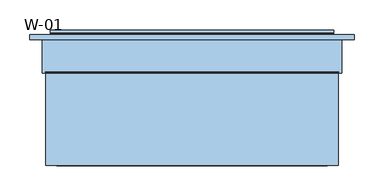
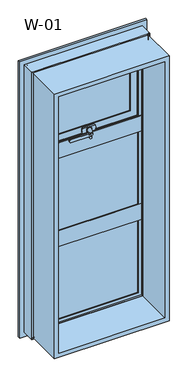
"""IFC4 building model written with IfcOpenShell, lengths in millimetres: window geometry, W-01."""

from ifc_helpers import new_model, si_unit, point, frame, frame_2d, origin, place, context, project, spatial, polyline, circle_curve, ellipse_curve, trimmed, segment, composite_curve, outline, extrude, source, transform, mapped, element, save
from ifc_brep_helpers import plane_surface, cylinder_surface, revolved_surface, spline_surface, advanced_brep


def w_01_ff5dd686(model_context):
    return source(origin(), model_context, "Body", "SolidModel", [
        extrude(outline(polyline([(192.4, 81.9927198), (-192.4, 81.9927198), (-192.4, 107.9927198), (192.4, 107.9927198), (192.4, 81.9927198)])), frame((0.0, 0.0, 1350.9333333), z_axis=(0.0, 0.0, 1.0), x_axis=(1.0, 0.0, 0.0)), (0.0, 0.0, 1.0), 291.4666667),
        extrude(outline(polyline([(223.0, 74.4), (-223.0, 74.4), (-223.0, 100.4), (223.0, 100.4), (223.0, 74.4)])), frame((0.0, 0.0, 923.6666667), z_axis=(0.0, 0.0, 1.0), x_axis=(1.0, 0.0, 0.0)), (0.0, 0.0, 1.0), 352.6666667),
        extrude(outline(polyline([(1693.8, 243.8), (1693.8, -243.8), (506.2, -243.8), (506.2, 243.8), (1693.8, 243.8)]), holes=[polyline([(524.7, 225.3), (524.7, -225.3), (1675.3, -225.3), (1675.3, 225.3), (524.7, 225.3)])]), frame((0.0, -100.0, 0.0), z_axis=(0.0, 1.0, 0.0), x_axis=(0.0, 0.0, 1.0)), (0.0, 0.0, 1.0), 165.9999813),
        extrude(outline(polyline([(223.0, 74.4), (-223.0, 74.4), (-223.0, 100.4), (223.0, 100.4), (223.0, 74.4)])), frame((0.0, 0.0, 527.0), z_axis=(0.0, 0.0, 1.0), x_axis=(1.0, 0.0, 0.0)), (0.0, 0.0, 1.0), 352.6666667),
        extrude(outline(composite_curve([segment(polyline([(1325.0333333, -8.432005), (1325.0333333, -5.567995)]), True, "CONTINUOUS"), segment(trimmed(circle_curve(frame_2d((1328.0333333, -5.567995)), 3.0), [point((1325.0333333, -5.567995))], [point((1327.8763255, -2.5721064))], False, "CARTESIAN"), True, "CONTINUOUS"), segment(polyline([(1327.8763255, -2.5721064), (1348.3333333, -1.5), (1348.3333333, -12.5), (1327.8763255, -11.4278936)]), True, "CONTINUOUS"), segment(trimmed(circle_curve(frame_2d((1328.0333333, -8.432005)), 3.0), [point((1327.8763255, -11.4278936))], [point((1325.0333333, -8.432005))], False, "CARTESIAN"), True, "CONTINUOUS")], self_intersect=False)), frame((0.0, 42.4999039, 0.0), z_axis=(0.0, 1.0, 0.0), x_axis=(0.0, 0.0, 1.0)), (0.0, 0.0, 1.0), 4.9),
        extrude(outline(composite_curve([segment(polyline([(1321.0333333, -3.7223739), (1321.0333333, 1.7223739)]), True, "CONTINUOUS"), segment(trimmed(circle_curve(frame_2d((1324.0333333, 1.7223739)), 3.0), [point((1321.0333333, 1.7223739))], [point((1323.8763255, 4.7182625))], False, "CARTESIAN"), True, "CONTINUOUS"), segment(polyline([(1323.8763255, 4.7182625), (1348.3333333, 6.0), (1348.3333333, -8.0), (1323.8763255, -6.7182625)]), True, "CONTINUOUS"), segment(trimmed(circle_curve(frame_2d((1324.0333333, -3.7223739)), 3.0), [point((1323.8763255, -6.7182625))], [point((1321.0333333, -3.7223739))], False, "CARTESIAN"), True, "CONTINUOUS")], self_intersect=False)), frame((0.0, 59.2999039, 0.0), z_axis=(0.0, 1.0, 0.0), x_axis=(0.0, 0.0, 1.0)), (0.0, 0.0, 1.0), 5.3),
        extrude(outline(composite_curve([segment(trimmed(circle_curve(frame_2d((1353.5333333, -96.7659341)), 2.0), [point((1355.5333333, -96.7659341))], [point((1354.2761147, -98.6228875))], False, "CARTESIAN"), True, "CONTINUOUS"), segment(polyline([(1354.2761147, -98.6228875), (1349.818896, -100.4057749)]), True, "CONTINUOUS"), segment(trimmed(circle_curve(frame_2d((1348.3333333, -96.6918682)), 4.0), [point((1349.818896, -100.4057749))], [point((1346.8477706, -100.4057749))], False, "CARTESIAN"), True, "CONTINUOUS"), segment(polyline([(1346.8477706, -100.4057749), (1342.390552, -98.6228875)]), True, "CONTINUOUS"), segment(trimmed(circle_curve(frame_2d((1343.1333333, -96.7659341)), 2.0), [point((1342.390552, -98.6228875))], [point((1341.1333333, -96.7659341))], False, "CARTESIAN"), True, "CONTINUOUS"), segment(polyline([(1341.1333333, -96.7659341), (1341.1333333, -11.0), (1355.5333333, -11.0), (1355.5333333, -96.7659341)]), True, "CONTINUOUS")], self_intersect=False)), frame((0.0, 34.5999039, 0.0), z_axis=(0.0, 1.0, 0.0), x_axis=(0.0, 0.0, 1.0)), (0.0, 0.0, 1.0), 7.0),
        extrude(outline(composite_curve([segment(trimmed(circle_curve(frame_2d((1348.3333333, 0.0)), 7.0), [point((1348.3333333, 7.0))], [point((1348.3333333, -7.0))], False, "CARTESIAN"), True, "CONTINUOUS"), segment(trimmed(circle_curve(frame_2d((1348.3333333, 0.0)), 7.0), [point((1348.3333333, -7.0))], [point((1348.3333333, 7.0))], False, "CARTESIAN"), True, "CONTINUOUS")], self_intersect=False)), frame((0.0, 64.5999039, 0.0), z_axis=(0.0, 1.0, 0.0), x_axis=(0.0, 0.0, 1.0)), (0.0, 0.0, 1.0), 1.5),
        advanced_brep(
        [(-3.5, 34.5999039, 1348.3333333), (-18.5, 34.5999039, 1348.3333333), (9.0, 64.5999039, 1348.3333333), (-9.0, 64.5999039, 1348.3333333)],
        [
            (0, 1, circle_curve(frame((-11.0, 34.5999039, 1348.3333333), z_axis=(0.0, -1.0, 0.0), x_axis=(-1.0, 0.0, 0.0)), 7.5)),
            (1, 0, circle_curve(frame((-11.0, 34.5999039, 1348.3333333), z_axis=(0.0, -1.0, 0.0), x_axis=(-1.0, 0.0, 0.0)), 7.5)),
            (2, 3, circle_curve(frame((0.0, 64.5999039, 1348.3333333), z_axis=(0.0, 1.0, 0.0), x_axis=(-1.0, 0.0, 0.0)), 9.0)),
            (3, 2, circle_curve(frame((0.0, 64.5999039, 1348.3333333), z_axis=(0.0, 1.0, 0.0), x_axis=(-1.0, 0.0, 0.0)), 9.0)),
            (2, 0),
            (1, 3),
        ],
        [
            plane_surface(frame((-11.0, 34.5999039, 1348.3333333), z_axis=(0.0, -1.0, 0.0), x_axis=(0.0, 0.0, -1.0))),
            plane_surface(frame((0.0, 64.5999039, 1348.3333333), z_axis=(0.0, 1.0, 0.0), x_axis=(0.0, 0.0, -1.0))),
            spline_surface(1, 2, [[(9.0, 64.5999039, 1348.3333333), (9.0, 64.5999039, 1339.3333333), (0.0, 64.5999039, 1339.3333333), (-9.0, 64.5999039, 1339.3333333), (-9.0, 64.5999039, 1348.3333333)], [(-3.5, 34.5999039, 1348.3333333), (-3.5, 34.5999039, 1340.8333333), (-11.0, 34.5999039, 1340.8333333), (-18.5, 34.5999039, 1340.8333333), (-18.5, 34.5999039, 1348.3333333)]], [2, 2], [3, 2, 3], [0.0, 1.0], [0.0, 1.0, 2.0], weights=[[1.0, 0.7071067811865476, 1.0, 0.7071067811865476, 1.0], [1.0, 0.7071067811865476, 1.0, 0.7071067811865476, 1.0]]),
            spline_surface(1, 2, [[(-9.0, 64.5999039, 1348.3333333), (-9.0, 64.5999039, 1357.3333333), (0.0, 64.5999039, 1357.3333333), (9.0, 64.5999039, 1357.3333333), (9.0, 64.5999039, 1348.3333333)], [(-18.5, 34.5999039, 1348.3333333), (-18.5, 34.5999039, 1355.8333333), (-11.0, 34.5999039, 1355.8333333), (-3.5, 34.5999039, 1355.8333333), (-3.5, 34.5999039, 1348.3333333)]], [2, 2], [3, 2, 3], [0.0, 1.0], [0.0, 1.0, 2.0], weights=[[1.0, 0.7071067811865476, 1.0, 0.7071067811865476, 1.0], [1.0, 0.7071067811865476, 1.0, 0.7071067811865476, 1.0]]),
        ],
        [
            (0, [[1, 2]]),
            (1, [[3, 4]]),
            (2, [[5, -2, 6, -3]]),
            (3, [[-6, -1, -5, -4]]),
        ],
    ),
        extrude(outline(composite_curve([segment(trimmed(circle_curve(frame_2d((1348.3333333, 0.0)), 10.6), [point((1348.3333333, 10.6))], [point((1348.3333333, -10.6))], False, "CARTESIAN"), True, "CONTINUOUS"), segment(polyline([(1348.3333333, -10.6), (1337.2833333, -10.6), (1337.2833333, 10.6), (1348.3333333, 10.6)]), True, "CONTINUOUS")], self_intersect=False)), frame((0.0, 66.0999039, 0.0), z_axis=(0.0, 1.0, 0.0), x_axis=(0.0, 0.0, 1.0)), (0.0, 0.0, 1.0), 2.8),
        extrude(outline(composite_curve([segment(polyline([(1337.2833333, -26.0), (1337.2833333, 26.0)]), True, "CONTINUOUS"), segment(trimmed(circle_curve(frame_2d((1348.3333333, 3.2967472)), 25.2495582), [point((1337.2833333, 26.0))], [point((1359.3833333, 26.0))], False, "CARTESIAN"), True, "CONTINUOUS"), segment(polyline([(1359.3833333, 26.0), (1359.3833333, -26.0)]), True, "CONTINUOUS"), segment(trimmed(circle_curve(frame_2d((1348.3333333, -3.2967472)), 25.2495582), [point((1359.3833333, -26.0))], [point((1337.2833333, -26.0))], False, "CARTESIAN"), True, "CONTINUOUS")], self_intersect=False)), frame((0.0, 68.8999039, 0.0), z_axis=(0.0, 1.0, 0.0), x_axis=(0.0, 0.0, 1.0)), (0.0, 0.0, 1.0), 6.7),
        advanced_brep(
        [(235.8588651, 121.9999121, 1685.8588651), (235.8588651, 121.9999121, 1307.4744682), (235.8588651, 126.5999121, 1307.4744682), (235.8588651, 126.5999121, 1685.8588651), (-235.8588651, 126.5999121, 1685.8588651), (-235.8588651, 126.5999121, 1307.4744682), (199.3588651, 126.5999121, 1649.3588651), (-199.3588651, 126.5999121, 1649.3588651), (-199.3588651, 126.5999121, 1343.9744682), (199.3588651, 126.5999121, 1343.9744682), (-235.8588651, 121.9999121, 1307.4744682), (-235.8588651, 121.9999121, 1685.8588651), (-233.7537664, 121.9999121, 1683.7537664), (233.7537664, 121.9999121, 1683.7537664), (233.7537664, 121.9999121, 1309.5795669), (-233.7537664, 121.9999121, 1309.5795669), (236.4637148, 119.9946866, 1686.4637148), (236.4637148, 119.9946866, 1306.8696185), (-236.4637148, 119.9946866, 1306.8696185), (237.2086873, 118.9999537, 1687.2086873), (237.2086873, 118.9999537, 1306.1246461), (-237.2086873, 118.9999537, 1306.1246461), (-237.2086873, 118.9999537, 1687.2086873), (-218.3588678, 118.9999537, 1668.3588678), (218.3588678, 118.9999537, 1668.3588678), (218.3588678, 118.9999537, 1324.9744656), (-218.3588678, 118.9999537, 1324.9744656), (218.3588678, 76.0999005, 1668.3588678), (218.3588678, 76.0999005, 1324.9744656), (-218.3588678, 76.0999005, 1324.9744656), (217.8588679, 75.5999006, 1667.8588679), (217.8588679, 75.5999006, 1325.4744654), (-217.8588679, 75.5999006, 1325.4744654), (218.144223, 74.6078271, 1668.144223), (218.144223, 74.6078271, 1325.1891103), (-218.144223, 74.6078271, 1325.1891103), (215.4347904, 72.6034445, 1665.4347904), (215.4347904, 72.6034445, 1327.8985429), (-215.4347904, 72.6034445, 1327.8985429), (-215.4347904, 72.6034445, 1665.4347904), (-212.0349667, 72.6034445, 1662.0349667), (212.0349667, 72.6034445, 1662.0349667), (212.0349667, 72.6034445, 1331.2983666), (-212.0349667, 72.6034445, 1331.2983666), (208.8054323, 74.6078271, 1658.8054323), (208.8054323, 74.6078271, 1334.527901), (-208.8054323, 74.6078271, 1334.527901), (208.340576, 75.5999039, 1658.340576), (208.340576, 75.5999039, 1334.9927573), (-208.340576, 75.5999039, 1334.9927573), (-208.340576, 75.5999039, 1658.340576), (-179.3588709, 75.5999039, 1629.3588709), (179.3588709, 75.5999039, 1629.3588709), (179.3588709, 75.5999039, 1363.9744624), (-179.3588709, 75.5999039, 1363.9744624), (179.3588709, 80.1999039, 1629.3588709), (179.3588709, 80.1999039, 1363.9744624), (-179.3588709, 80.1999039, 1363.9744624), (-199.3588651, 80.1999039, 1649.3588651), (199.3588651, 80.1999039, 1649.3588651), (199.3588651, 80.1999039, 1343.9744682), (-199.3588651, 80.1999039, 1343.9744682), (-179.3588709, 80.1999039, 1629.3588709), (-236.4637148, 119.9946866, 1686.4637148), (-218.3588678, 76.0999005, 1668.3588678), (-217.8588679, 75.5999006, 1667.8588679), (-218.144223, 74.6078271, 1668.144223), (-208.8054323, 74.6078271, 1658.8054323)],
        [
            (0, 1),
            (1, 2),
            (2, 3),
            (3, 0),
            (4, 3),
            (2, 5),
            (5, 4),
            (6, 7),
            (7, 8),
            (8, 9),
            (9, 6),
            (1, 10),
            (10, 5),
            (0, 11),
            (11, 10),
            (12, 13),
            (13, 14),
            (14, 15),
            (15, 12),
            (16, 17),
            (17, 14, ellipse_curve(frame((237.5848432, 124.3436113, 1305.7484901), z_axis=(-0.7071067811865475, 0.0, -0.7071067811865475), x_axis=(0.7071067811865474, 0.0, -0.7071067811865476)), 6.3513896, 4.4911107)),
            (13, 16, ellipse_curve(frame((237.5848432, 124.3436113, 1687.5848432), z_axis=(-0.7071067811865475, 0.0, 0.7071067811865475), x_axis=(-0.7071067811865474, 0.0, -0.7071067811865476)), 6.3513896, 4.4911107)),
            (17, 18),
            (18, 15, ellipse_curve(frame((-237.5848432, 124.3436113, 1305.7484901), z_axis=(-0.7071067811865475, 0.0, 0.7071067811865475), x_axis=(-0.7071067811865476, 0.0, -0.7071067811865474)), 6.3513896, 4.4911107)),
            (19, 20),
            (20, 17),
            (16, 19),
            (20, 21),
            (21, 18),
            (19, 22),
            (22, 21),
            (23, 24),
            (24, 25),
            (25, 26),
            (26, 23),
            (27, 28),
            (28, 25),
            (24, 27),
            (28, 29),
            (29, 26),
            (30, 31),
            (31, 28, ellipse_curve(frame((217.8588679, 76.0999005, 1325.4744654), z_axis=(0.7071067811865475, 0.0, 0.7071067811865475), x_axis=(-0.7071067811865474, 0.0, 0.7071067811865476)), 0.7071066, 0.4999999)),
            (27, 30, ellipse_curve(frame((217.8588679, 76.0999005, 1667.8588679), z_axis=(0.7071067811865475, 0.0, -0.7071067811865475), x_axis=(0.7071067811865474, 0.0, 0.7071067811865476)), 0.7071066, 0.4999999)),
            (31, 32),
            (32, 29, ellipse_curve(frame((-217.8588679, 76.0999005, 1325.4744654), z_axis=(0.7071067811865475, 0.0, -0.7071067811865475), x_axis=(0.7071067811865476, 0.0, 0.7071067811865474)), 0.7071066, 0.4999999)),
            (33, 34),
            (34, 31),
            (30, 33),
            (34, 35),
            (35, 32),
            (36, 37),
            (37, 34, ellipse_curve(frame((219.2653514, 70.2589024, 1324.0679819), z_axis=(-0.7071067811865475, 0.0, -0.7071067811865475), x_axis=(0.7071067811865474, 0.0, -0.7071067811865476)), 6.3513896, 4.4911107)),
            (33, 36, ellipse_curve(frame((219.2653514, 70.2589024, 1669.2653514), z_axis=(-0.7071067811865475, 0.0, 0.7071067811865475), x_axis=(-0.7071067811865474, 0.0, -0.7071067811865476)), 6.3513896, 4.4911107)),
            (37, 38),
            (38, 35, ellipse_curve(frame((-219.2653514, 70.2589024, 1324.0679819), z_axis=(-0.7071067811865475, 0.0, 0.7071067811865475), x_axis=(-0.7071067811865476, 0.0, -0.7071067811865474)), 6.3513896, 4.4911107)),
            (36, 39),
            (39, 38),
            (40, 41),
            (41, 42),
            (42, 43),
            (43, 40),
            (44, 45),
            (45, 42, ellipse_curve(frame((208.5540914, 70.5988943, 1334.779242), z_axis=(-0.7071067811865475, 0.0, -0.7071067811865475), x_axis=(0.7071067811865474, 0.0, -0.7071067811865476)), 5.6806187, 4.016804)),
            (41, 44, ellipse_curve(frame((208.5540914, 70.5988943, 1658.5540914), z_axis=(-0.7071067811865475, 0.0, 0.7071067811865475), x_axis=(-0.7071067811865474, 0.0, -0.7071067811865476)), 5.6806187, 4.016804)),
            (45, 46),
            (46, 43, ellipse_curve(frame((-208.5540914, 70.5988943, 1334.779242), z_axis=(-0.7071067811865475, 0.0, 0.7071067811865475), x_axis=(-0.7071067811865476, 0.0, -0.7071067811865474)), 5.6806187, 4.016804)),
            (47, 48),
            (48, 45),
            (44, 47),
            (48, 49),
            (49, 46),
            (47, 50),
            (50, 49),
            (51, 52),
            (52, 53),
            (53, 54),
            (54, 51),
            (55, 56),
            (56, 53),
            (52, 55),
            (56, 57),
            (57, 54),
            (58, 59),
            (59, 60),
            (60, 61),
            (61, 58),
            (55, 62),
            (62, 57),
            (9, 60),
            (59, 6),
            (8, 61),
            (11, 4),
            (18, 63),
            (63, 12, ellipse_curve(frame((-237.5848432, 124.3436113, 1687.5848432), z_axis=(0.7071067811865475, 0.0, 0.7071067811865475), x_axis=(-0.7071067811865474, 0.0, 0.7071067811865476)), 6.3513896, 4.4911107)),
            (22, 63),
            (29, 64),
            (64, 23),
            (32, 65),
            (65, 64, ellipse_curve(frame((-217.8588679, 76.0999005, 1667.8588679), z_axis=(-0.7071067811865475, 0.0, -0.7071067811865475), x_axis=(0.7071067811865474, 0.0, -0.7071067811865476)), 0.7071066, 0.4999999)),
            (35, 66),
            (66, 65),
            (39, 66, ellipse_curve(frame((-219.2653514, 70.2589024, 1669.2653514), z_axis=(0.7071067811865475, 0.0, 0.7071067811865475), x_axis=(-0.7071067811865474, 0.0, 0.7071067811865476)), 6.3513896, 4.4911107)),
            (46, 67),
            (67, 40, ellipse_curve(frame((-208.5540914, 70.5988943, 1658.5540914), z_axis=(0.7071067811865475, 0.0, 0.7071067811865475), x_axis=(-0.7071067811865474, 0.0, 0.7071067811865476)), 5.6806187, 4.016804)),
            (50, 67),
            (62, 51),
            (7, 58),
            (63, 16),
            (64, 27),
            (65, 30),
            (66, 33),
            (67, 44),
        ],
        [
            plane_surface(frame((235.8588651, 126.5999121, 1685.8588651), z_axis=(1.0, 0.0, 0.0), x_axis=(0.0, 0.0, -1.0))),
            plane_surface(frame((-199.3588651, 126.5999121, 1343.9744682), z_axis=(0.0, 1.0, 0.0), x_axis=(0.0, 0.0, 1.0))),
            plane_surface(frame((235.8588651, 126.5999121, 1307.4744682), z_axis=(0.0, 0.0, -1.0), x_axis=(-1.0, 0.0, 0.0))),
            plane_surface(frame((-235.8588651, 121.9999121, 1307.4744682), z_axis=(0.0, -1.0, 0.0), x_axis=(0.0, 0.0, 1.0))),
            revolved_surface(polyline([(242.0759539, 124.3436113, 1301.2573794438822), (242.0759539, 124.3436113, 1692.0759538561178)]), (237.5848432, 124.3436113, 1700.0), (0.0, 0.0, -1.0)),
            revolved_surface(polyline([(-242.07595385611774, 124.3436113, 1301.2573794), (242.0759538561177, 124.3436113, 1301.2573794)]), (250.0, 124.3436113, 1305.7484901), (-1.0, 0.0, 0.0)),
            plane_surface(frame((236.4637148, 119.9946866, 1686.4637148), z_axis=(0.8004158635848707, 0.5994451145198247, 0.0), x_axis=(0.0, 0.0, -1.0))),
            plane_surface(frame((236.4637148, 119.9946866, 1306.8696185), z_axis=(0.0, 0.5994451145198296, -0.800415863584867), x_axis=(-1.0, 0.0, 0.0))),
            plane_surface(frame((-237.2086873, 118.9999537, 1306.1246461), z_axis=(0.0, -1.0, 0.0), x_axis=(0.0, 0.0, 1.0))),
            plane_surface(frame((218.3588678, 118.9999537, 1668.3588678), z_axis=(1.0, 0.0, 0.0), x_axis=(0.0, 0.0, -1.0))),
            plane_surface(frame((218.3588678, 118.9999537, 1324.9744656), z_axis=(0.0, 0.0, -1.0), x_axis=(-1.0, 0.0, 0.0))),
            cylinder_surface(frame((217.8588679, 76.0999005, 1700.0), z_axis=(0.0, 0.0, 1.0), x_axis=(1.0, 0.0, 0.0)), 0.4999999),
            cylinder_surface(frame((250.0, 76.0999005, 1325.4744654), z_axis=(1.0, 0.0, 0.0), x_axis=(0.0, 0.0, -1.0)), 0.4999999),
            plane_surface(frame((217.8588679, 75.5999006, 1667.8588679), z_axis=(0.9610348327667624, 0.27642729642522856, 0.0), x_axis=(0.0, 0.0, -1.0))),
            plane_surface(frame((217.8588679, 75.5999006, 1325.4744654), z_axis=(0.0, 0.27642729642523445, -0.9610348327667607), x_axis=(-1.0, 0.0, 0.0))),
            revolved_surface(polyline([(223.7564621, 70.2589024, 1319.5768712438821), (223.7564621, 70.2589024, 1673.756462056118)]), (219.2653514, 70.2589024, 1700.0), (0.0, 0.0, -1.0)),
            revolved_surface(polyline([(-223.7564620561177, 70.2589024, 1319.5768712), (223.7564620561177, 70.2589024, 1319.5768712)]), (250.0, 70.2589024, 1324.0679819), (-1.0, 0.0, 0.0)),
            plane_surface(frame((-215.4347904, 72.6034445, 1327.8985429), z_axis=(0.0, -1.0, 0.0), x_axis=(0.0, 0.0, 1.0))),
            revolved_surface(polyline([(212.5708954, 70.5988943, 1330.762437995895), (212.5708954, 70.5988943, 1662.5708954041052)]), (208.5540914, 70.5988943, 1700.0), (0.0, 0.0, -1.0)),
            revolved_surface(polyline([(-212.5708954041051, 70.5988943, 1330.762438), (212.5708954041051, 70.5988943, 1330.762438)]), (250.0, 70.5988943, 1334.779242), (-1.0, 0.0, 0.0)),
            plane_surface(frame((208.8054323, 74.6078271, 1658.8054323), z_axis=(-0.9055219642805072, -0.4242993898246519, 0.0), x_axis=(0.0, 0.0, -1.0))),
            plane_surface(frame((208.8054323, 74.6078271, 1334.527901), z_axis=(0.0, -0.4242993898246574, 0.9055219642805047), x_axis=(-1.0, 0.0, 0.0))),
            plane_surface(frame((-208.340576, 75.5999039, 1334.9927573), z_axis=(0.0, -1.0, 0.0), x_axis=(0.0, 0.0, 1.0))),
            plane_surface(frame((179.3588709, 75.5999039, 1629.3588709), z_axis=(-1.0, 0.0, 0.0), x_axis=(0.0, 0.0, -1.0))),
            plane_surface(frame((179.3588709, 75.5999039, 1363.9744624), z_axis=(0.0, 0.0, 1.0), x_axis=(-1.0, 0.0, 0.0))),
            plane_surface(frame((-179.3588709, 80.1999039, 1363.9744624), z_axis=(0.0, 1.0, 0.0), x_axis=(0.0, 0.0, 1.0))),
            plane_surface(frame((199.3588651, 80.1999039, 1649.3588651), z_axis=(-1.0, 0.0, 0.0), x_axis=(0.0, 0.0, -1.0))),
            plane_surface(frame((199.3588651, 80.1999039, 1343.9744682), z_axis=(0.0, 0.0, 1.0), x_axis=(-1.0, 0.0, 0.0))),
            plane_surface(frame((-235.8588651, 126.5999121, 1307.4744682), z_axis=(-1.0, 0.0, 0.0), x_axis=(0.0, 0.0, 1.0))),
            revolved_surface(polyline([(-242.0759539, 124.3436113, 1692.0759538561178), (-242.0759539, 124.3436113, 1301.2573794438822)]), (-237.5848432, 124.3436113, 1293.3333333), (0.0, 0.0, 1.0)),
            plane_surface(frame((-236.4637148, 119.9946866, 1306.8696185), z_axis=(-0.8004158635848634, 0.5994451145198345, 0.0), x_axis=(0.0, 0.0, 1.0))),
            plane_surface(frame((-218.3588678, 118.9999537, 1324.9744656), z_axis=(-1.0, 0.0, 0.0), x_axis=(0.0, 0.0, 1.0))),
            cylinder_surface(frame((-217.8588679, 76.0999005, 1293.3333333), z_axis=(0.0, 0.0, -1.0), x_axis=(-1.0, 0.0, 0.0)), 0.4999999),
            plane_surface(frame((-217.8588679, 75.5999006, 1325.4744654), z_axis=(-0.961034832766759, 0.27642729642524033, 0.0), x_axis=(0.0, 0.0, 1.0))),
            revolved_surface(polyline([(-223.7564621, 70.2589024, 1673.756462056118), (-223.7564621, 70.2589024, 1319.5768712438821)]), (-219.2653514, 70.2589024, 1293.3333333), (0.0, 0.0, 1.0)),
            revolved_surface(polyline([(-212.5708954, 70.5988943, 1662.5708954041052), (-212.5708954, 70.5988943, 1330.762437995895)]), (-208.5540914, 70.5988943, 1293.3333333), (0.0, 0.0, 1.0)),
            plane_surface(frame((-208.8054323, 74.6078271, 1334.527901), z_axis=(0.9055219642805021, -0.424299389824663, 0.0), x_axis=(0.0, 0.0, 1.0))),
            plane_surface(frame((-179.3588709, 75.5999039, 1363.9744624), z_axis=(1.0, 0.0, 0.0), x_axis=(0.0, 0.0, 1.0))),
            plane_surface(frame((-199.3588651, 80.1999039, 1343.9744682), z_axis=(1.0, 0.0, 0.0), x_axis=(0.0, 0.0, 1.0))),
            plane_surface(frame((-235.8588651, 126.5999121, 1685.8588651), z_axis=(0.0, 0.0, 1.0), x_axis=(1.0, 0.0, 0.0))),
            revolved_surface(polyline([(242.07595385611774, 124.3436113, 1692.0759539), (-242.0759538561177, 124.3436113, 1692.0759539)]), (-250.0, 124.3436113, 1687.5848432), (1.0, 0.0, 0.0)),
            plane_surface(frame((-236.4637148, 119.9946866, 1686.4637148), z_axis=(0.0, 0.5994451145198296, 0.800415863584867), x_axis=(1.0, 0.0, 0.0))),
            plane_surface(frame((-218.3588678, 118.9999537, 1668.3588678), z_axis=(0.0, 0.0, 1.0), x_axis=(1.0, 0.0, 0.0))),
            cylinder_surface(frame((-250.0, 76.0999005, 1667.8588679), z_axis=(-1.0, 0.0, 0.0), x_axis=(0.0, 0.0, 1.0)), 0.4999999),
            plane_surface(frame((-217.8588679, 75.5999006, 1667.8588679), z_axis=(0.0, 0.27642729642523445, 0.9610348327667607), x_axis=(1.0, 0.0, 0.0))),
            revolved_surface(polyline([(223.7564620561177, 70.2589024, 1673.7564621000001), (-223.7564620561177, 70.2589024, 1673.7564621000001)]), (-250.0, 70.2589024, 1669.2653514), (1.0, 0.0, 0.0)),
            revolved_surface(polyline([(212.5708954041051, 70.5988943, 1662.5708954000002), (-212.5708954041051, 70.5988943, 1662.5708954000002)]), (-250.0, 70.5988943, 1658.5540914), (1.0, 0.0, 0.0)),
            plane_surface(frame((-208.8054323, 74.6078271, 1658.8054323), z_axis=(0.0, -0.4242993898246574, -0.9055219642805047), x_axis=(1.0, 0.0, 0.0))),
            plane_surface(frame((-179.3588709, 75.5999039, 1629.3588709), z_axis=(0.0, 0.0, -1.0), x_axis=(1.0, 0.0, 0.0))),
            plane_surface(frame((-199.3588651, 80.1999039, 1649.3588651), z_axis=(0.0, 0.0, -1.0), x_axis=(1.0, 0.0, 0.0))),
        ],
        [
            (0, [[1, 2, 3, 4]]),
            (1, [[5, -3, 6, 7], [8, 9, 10, 11]]),
            (2, [[12, 13, -6, -2]]),
            (3, [[14, 15, -12, -1], [16, 17, 18, 19]]),
            (4, [[20, 21, -17, 22]]),
            (5, [[23, 24, -18, -21]]),
            (6, [[25, 26, -20, 27]]),
            (7, [[28, 29, -23, -26]]),
            (8, [[30, 31, -28, -25], [32, 33, 34, 35]]),
            (9, [[36, 37, -33, 38]]),
            (10, [[39, 40, -34, -37]]),
            (11, [[41, 42, -36, 43]]),
            (12, [[44, 45, -39, -42]]),
            (13, [[46, 47, -41, 48]]),
            (14, [[49, 50, -44, -47]]),
            (15, [[51, 52, -46, 53]]),
            (16, [[54, 55, -49, -52]]),
            (17, [[56, 57, -54, -51], [58, 59, 60, 61]]),
            (18, [[62, 63, -59, 64]]),
            (19, [[65, 66, -60, -63]]),
            (20, [[67, 68, -62, 69]]),
            (21, [[70, 71, -65, -68]]),
            (22, [[72, 73, -70, -67], [74, 75, 76, 77]]),
            (23, [[78, 79, -75, 80]]),
            (24, [[81, 82, -76, -79]]),
            (25, [[83, 84, 85, 86], [87, 88, -81, -78]]),
            (26, [[-11, 89, -84, 90]]),
            (27, [[-10, 91, -85, -89]]),
            (28, [[-15, 92, -7, -13]]),
            (29, [[93, 94, -19, -24]]),
            (30, [[-31, 95, -93, -29]]),
            (31, [[96, 97, -35, -40]]),
            (32, [[98, 99, -96, -45]]),
            (33, [[100, 101, -98, -50]]),
            (34, [[-57, 102, -100, -55]]),
            (35, [[103, 104, -61, -66]]),
            (36, [[-73, 105, -103, -71]]),
            (37, [[-88, 106, -77, -82]]),
            (38, [[-9, 107, -86, -91]]),
            (39, [[-14, -4, -5, -92]]),
            (40, [[108, -22, -16, -94]]),
            (41, [[-30, -27, -108, -95]]),
            (42, [[109, -38, -32, -97]]),
            (43, [[110, -43, -109, -99]]),
            (44, [[111, -48, -110, -101]]),
            (45, [[-56, -53, -111, -102]]),
            (46, [[112, -64, -58, -104]]),
            (47, [[-72, -69, -112, -105]]),
            (48, [[-87, -80, -74, -106]]),
            (49, [[-8, -90, -83, -107]]),
        ],
    ),
        extrude(outline(polyline([(68.9990172, 1263.3332985), (68.9990172, 1333.333336), (72.5990172, 1333.333336), (72.5990172, 1313.333352), (118.9999375, 1313.333352), (118.9999375, 1283.3333146), (72.5990172, 1283.3333146), (72.5990172, 1263.3332985), (68.9990172, 1263.3332985)])), frame((-230.0, 0.0, 0.0), z_axis=(1.0, 0.0, 0.0), x_axis=(0.0, 1.0, 0.0)), (0.0, 0.0, 1.0), 460.0),
        advanced_brep(
        [(-179.4, 115.322822, 1629.4), (-177.2575034, 107.9927198, 1627.2575034), (-177.2575034, 107.9927198, 1366.0758299), (-179.4, 115.322822, 1363.9333333), (-179.4, 126.5999122, 1629.4), (-179.4, 126.5999122, 1363.9333333), (-199.4, 107.9927198, 1649.4), (-199.4, 126.5999122, 1649.4), (-199.4, 126.5999122, 1343.9333333), (-199.4, 107.9927198, 1343.9333333), (177.2575034, 107.9927198, 1366.0758299), (179.4, 115.322822, 1363.9333333), (179.4, 126.5999122, 1363.9333333), (199.4, 126.5999122, 1343.9333333), (199.4, 107.9927198, 1343.9333333), (177.2575034, 107.9927198, 1627.2575034), (179.4, 115.322822, 1629.4), (179.4, 126.5999122, 1629.4), (199.4, 126.5999122, 1649.4), (199.4, 107.9927198, 1649.4)],
        [
            (0, 1, ellipse_curve(frame((-159.7925883, 117.0756581, 1609.7925883), z_axis=(0.7071067811865475, 0.0, 0.7071067811865475), x_axis=(0.7071067811865474, 0.0, -0.7071067811865476)), 27.839649, 19.6856046)),
            (1, 2),
            (2, 3, ellipse_curve(frame((-159.7925883, 117.0756581, 1383.5407451), z_axis=(0.7071067811865475, 0.0, -0.7071067811865475), x_axis=(-0.7071067811865474, 0.0, -0.7071067811865476)), 27.839649, 19.6856046)),
            (3, 0),
            (4, 0),
            (3, 5),
            (5, 4),
            (6, 7),
            (7, 8),
            (8, 9),
            (9, 6),
            (2, 10),
            (10, 11, ellipse_curve(frame((159.7925883, 117.0756581, 1383.5407451), z_axis=(0.7071067811865475, 0.0, 0.7071067811865475), x_axis=(0.7071067811865476, 0.0, -0.7071067811865474)), 27.839649, 19.6856046)),
            (11, 3),
            (11, 12),
            (12, 5),
            (8, 13),
            (13, 14),
            (14, 9),
            (10, 15),
            (15, 16, ellipse_curve(frame((159.7925883, 117.0756581, 1609.7925883), z_axis=(-0.7071067811865475, 0.0, 0.7071067811865475), x_axis=(0.7071067811865474, 0.0, 0.7071067811865476)), 27.839649, 19.6856046)),
            (16, 11),
            (16, 17),
            (17, 12),
            (13, 18),
            (18, 19),
            (19, 14),
            (19, 6),
            (1, 15),
            (0, 16),
            (4, 17),
            (7, 18),
        ],
        [
            revolved_surface(polyline([(-179.4781929, 117.0756581, 1363.8551405062467), (-179.4781929, 117.0756581, 1629.4781928937534)]), (-159.7925883, 117.0756581, 1649.4), (0.0, 0.0, -1.0)),
            plane_surface(frame((-179.4, 115.322822, 1629.4), z_axis=(1.0, 0.0, 0.0), x_axis=(0.0, 0.0, -1.0))),
            plane_surface(frame((-199.4, 126.5999122, 1649.4), z_axis=(-1.0, 0.0, 0.0), x_axis=(0.0, 0.0, -1.0))),
            revolved_surface(polyline([(179.4781928937533, 117.0756581, 1363.8551405), (-179.4781928937533, 117.0756581, 1363.8551405)]), (-199.4, 117.0756581, 1383.5407451), (1.0, 0.0, 0.0)),
            plane_surface(frame((-179.4, 115.322822, 1363.9333333), z_axis=(0.0, 0.0, 1.0), x_axis=(1.0, 0.0, 0.0))),
            plane_surface(frame((-199.4, 126.5999122, 1343.9333333), z_axis=(0.0, 0.0, -1.0), x_axis=(1.0, 0.0, 0.0))),
            revolved_surface(polyline([(179.4781929, 117.0756581, 1629.4781928937532), (179.4781929, 117.0756581, 1363.8551405062467)]), (159.7925883, 117.0756581, 1343.9333333), (0.0, 0.0, 1.0)),
            plane_surface(frame((179.4, 115.322822, 1363.9333333), z_axis=(-1.0, 0.0, 0.0), x_axis=(0.0, 0.0, 1.0))),
            plane_surface(frame((199.4, 126.5999122, 1343.9333333), z_axis=(1.0, 0.0, 0.0), x_axis=(0.0, 0.0, 1.0))),
            plane_surface(frame((199.4, 107.9927198, 1649.4), z_axis=(0.0, -1.0, 0.0), x_axis=(-1.0, 0.0, 0.0))),
            revolved_surface(polyline([(-179.4781928937533, 117.0756581, 1629.4781929), (179.4781928937533, 117.0756581, 1629.4781929)]), (199.4, 117.0756581, 1609.7925883), (-1.0, 0.0, 0.0)),
            plane_surface(frame((179.4, 115.322822, 1629.4), z_axis=(0.0, 0.0, -1.0), x_axis=(-1.0, 0.0, 0.0))),
            plane_surface(frame((179.4, 126.5999122, 1629.4), z_axis=(0.0, 1.0, 0.0), x_axis=(-1.0, 0.0, 0.0))),
            plane_surface(frame((199.4, 126.5999122, 1649.4), z_axis=(0.0, 0.0, 1.0), x_axis=(-1.0, 0.0, 0.0))),
        ],
        [
            (0, [[1, 2, 3, 4]]),
            (1, [[5, -4, 6, 7]]),
            (2, [[8, 9, 10, 11]]),
            (3, [[-3, 12, 13, 14]]),
            (4, [[-6, -14, 15, 16]]),
            (5, [[-10, 17, 18, 19]]),
            (6, [[-13, 20, 21, 22]]),
            (7, [[-15, -22, 23, 24]]),
            (8, [[-18, 25, 26, 27]]),
            (9, [[-19, -27, 28, -11], [29, -20, -12, -2]]),
            (10, [[-21, -29, -1, 30]]),
            (11, [[-23, -30, -5, 31]]),
            (12, [[32, -25, -17, -9], [-16, -24, -31, -7]]),
            (13, [[-26, -32, -8, -28]]),
        ],
    ),
        advanced_brep(
        [(-210.0, 107.7228474, 1263.3333333), (-207.8575034, 100.3927452, 1261.1908368), (-207.8575034, 100.3927452, 938.8091632), (-210.0, 107.7228474, 936.6666667), (-210.0, 118.9999377, 1263.3333333), (-210.0, 118.9999377, 936.6666667), (-230.0, 100.3927452, 1283.3333333), (-230.0, 118.9999377, 1283.3333333), (-230.0, 118.9999377, 916.6666667), (-230.0, 100.3927452, 916.6666667), (207.8575034, 100.3927452, 938.8091632), (210.0, 107.7228474, 936.6666667), (210.0, 118.9999377, 936.6666667), (230.0, 118.9999377, 916.6666667), (230.0, 100.3927452, 916.6666667), (207.8575034, 100.3927452, 1261.1908368), (210.0, 107.7228474, 1263.3333333), (210.0, 118.9999377, 1263.3333333), (230.0, 118.9999377, 1283.3333333), (230.0, 100.3927452, 1283.3333333)],
        [
            (0, 1, ellipse_curve(frame((-190.3925883, 109.4756835, 1243.7259216), z_axis=(0.7071067811865475, 0.0, 0.7071067811865475), x_axis=(0.7071067811865474, 0.0, -0.7071067811865476)), 27.839649, 19.6856046)),
            (1, 2),
            (2, 3, ellipse_curve(frame((-190.3925883, 109.4756835, 956.2740784), z_axis=(0.7071067811865475, 0.0, -0.7071067811865475), x_axis=(-0.7071067811865474, 0.0, -0.7071067811865476)), 27.839649, 19.6856046)),
            (3, 0),
            (4, 0),
            (3, 5),
            (5, 4),
            (6, 7),
            (7, 8),
            (8, 9),
            (9, 6),
            (2, 10),
            (10, 11, ellipse_curve(frame((190.3925883, 109.4756835, 956.2740784), z_axis=(0.7071067811865475, 0.0, 0.7071067811865475), x_axis=(0.7071067811865476, 0.0, -0.7071067811865474)), 27.839649, 19.6856046)),
            (11, 3),
            (11, 12),
            (12, 5),
            (8, 13),
            (13, 14),
            (14, 9),
            (10, 15),
            (15, 16, ellipse_curve(frame((190.3925883, 109.4756835, 1243.7259216), z_axis=(-0.7071067811865475, 0.0, 0.7071067811865475), x_axis=(0.7071067811865474, 0.0, 0.7071067811865476)), 27.839649, 19.6856046)),
            (16, 11),
            (16, 17),
            (17, 12),
            (13, 18),
            (18, 19),
            (19, 14),
            (19, 6),
            (1, 15),
            (0, 16),
            (4, 17),
            (7, 18),
        ],
        [
            revolved_surface(polyline([(-210.0781929, 109.4756835, 936.5884738062467), (-210.0781929, 109.4756835, 1263.4115261937534)]), (-190.3925883, 109.4756835, 1283.3333333), (0.0, 0.0, -1.0)),
            plane_surface(frame((-210.0, 107.7228474, 1263.3333333), z_axis=(1.0, 0.0, 0.0), x_axis=(0.0, 0.0, -1.0))),
            plane_surface(frame((-230.0, 118.9999377, 1283.3333333), z_axis=(-1.0, 0.0, 0.0), x_axis=(0.0, 0.0, -1.0))),
            revolved_surface(polyline([(210.07819289375328, 109.4756835, 936.5884738), (-210.07819289375328, 109.4756835, 936.5884738)]), (-230.0, 109.4756835, 956.2740784), (1.0, 0.0, 0.0)),
            plane_surface(frame((-210.0, 107.7228474, 936.6666667), z_axis=(0.0, 0.0, 1.0), x_axis=(1.0, 0.0, 0.0))),
            plane_surface(frame((-230.0, 118.9999377, 916.6666667), z_axis=(0.0, 0.0, -1.0), x_axis=(1.0, 0.0, 0.0))),
            revolved_surface(polyline([(210.0781929, 109.4756835, 1263.4115261937532), (210.0781929, 109.4756835, 936.5884738062467)]), (190.3925883, 109.4756835, 916.6666667), (0.0, 0.0, 1.0)),
            plane_surface(frame((210.0, 107.7228474, 936.6666667), z_axis=(-1.0, 0.0, 0.0), x_axis=(0.0, 0.0, 1.0))),
            plane_surface(frame((230.0, 118.9999377, 916.6666667), z_axis=(1.0, 0.0, 0.0), x_axis=(0.0, 0.0, 1.0))),
            plane_surface(frame((230.0, 100.3927452, 1283.3333333), z_axis=(0.0, -1.0, 0.0), x_axis=(-1.0, 0.0, 0.0))),
            revolved_surface(polyline([(-210.07819289375328, 109.4756835, 1263.4115262), (210.07819289375328, 109.4756835, 1263.4115262)]), (230.0, 109.4756835, 1243.7259216), (-1.0, 0.0, 0.0)),
            plane_surface(frame((210.0, 107.7228474, 1263.3333333), z_axis=(0.0, 0.0, -1.0), x_axis=(-1.0, 0.0, 0.0))),
            plane_surface(frame((210.0, 118.9999377, 1263.3333333), z_axis=(0.0, 1.0, 0.0), x_axis=(-1.0, 0.0, 0.0))),
            plane_surface(frame((230.0, 118.9999377, 1283.3333333), z_axis=(0.0, 0.0, 1.0), x_axis=(-1.0, 0.0, 0.0))),
        ],
        [
            (0, [[1, 2, 3, 4]]),
            (1, [[5, -4, 6, 7]]),
            (2, [[8, 9, 10, 11]]),
            (3, [[-3, 12, 13, 14]]),
            (4, [[-6, -14, 15, 16]]),
            (5, [[-10, 17, 18, 19]]),
            (6, [[-13, 20, 21, 22]]),
            (7, [[-15, -22, 23, 24]]),
            (8, [[-18, 25, 26, 27]]),
            (9, [[-19, -27, 28, -11], [29, -20, -12, -2]]),
            (10, [[-21, -29, -1, 30]]),
            (11, [[-23, -30, -5, 31]]),
            (12, [[32, -25, -17, -9], [-16, -24, -31, -7]]),
            (13, [[-26, -32, -8, -28]]),
        ],
    ),
        extrude(outline(polyline([(68.9990172, 866.6666318), (68.9990172, 936.6666693), (72.5990172, 936.6666693), (72.5990172, 916.6666854), (118.9999375, 916.6666854), (118.9999375, 886.6666479), (72.5990172, 886.6666479), (72.5990172, 866.6666318), (68.9990172, 866.6666318)])), frame((-230.0, 0.0, 0.0), z_axis=(1.0, 0.0, 0.0), x_axis=(0.0, 1.0, 0.0)), (0.0, 0.0, 1.0), 460.0),
        advanced_brep(
        [(-210.0, 107.7228474, 866.6666667), (-207.8575034, 100.3927452, 864.5241701), (-207.8575034, 100.3927452, 542.1424966), (-210.0, 107.7228474, 540.0), (-210.0, 118.9999377, 866.6666667), (-210.0, 118.9999377, 540.0), (-230.0, 100.3927452, 886.6666667), (-230.0, 118.9999377, 886.6666667), (-230.0, 118.9999377, 520.0), (-230.0, 100.3927452, 520.0), (207.8575034, 100.3927452, 542.1424966), (210.0, 107.7228474, 540.0), (210.0, 118.9999377, 540.0), (230.0, 118.9999377, 520.0), (230.0, 100.3927452, 520.0), (207.8575034, 100.3927452, 864.5241701), (210.0, 107.7228474, 866.6666667), (210.0, 118.9999377, 866.6666667), (230.0, 118.9999377, 886.6666667), (230.0, 100.3927452, 886.6666667)],
        [
            (0, 1, ellipse_curve(frame((-190.3925883, 109.4756835, 847.0592549), z_axis=(0.7071067811865475, 0.0, 0.7071067811865475), x_axis=(0.7071067811865474, 0.0, -0.7071067811865476)), 27.839649, 19.6856046)),
            (1, 2),
            (2, 3, ellipse_curve(frame((-190.3925883, 109.4756835, 559.6074117), z_axis=(0.7071067811865475, 0.0, -0.7071067811865475), x_axis=(-0.7071067811865474, 0.0, -0.7071067811865476)), 27.839649, 19.6856046)),
            (3, 0),
            (4, 0),
            (3, 5),
            (5, 4),
            (6, 7),
            (7, 8),
            (8, 9),
            (9, 6),
            (2, 10),
            (10, 11, ellipse_curve(frame((190.3925883, 109.4756835, 559.6074117), z_axis=(0.7071067811865475, 0.0, 0.7071067811865475), x_axis=(0.7071067811865476, 0.0, -0.7071067811865474)), 27.839649, 19.6856046)),
            (11, 3),
            (11, 12),
            (12, 5),
            (8, 13),
            (13, 14),
            (14, 9),
            (10, 15),
            (15, 16, ellipse_curve(frame((190.3925883, 109.4756835, 847.0592549), z_axis=(-0.7071067811865475, 0.0, 0.7071067811865475), x_axis=(0.7071067811865474, 0.0, 0.7071067811865476)), 27.839649, 19.6856046)),
            (16, 11),
            (16, 17),
            (17, 12),
            (13, 18),
            (18, 19),
            (19, 14),
            (19, 6),
            (1, 15),
            (0, 16),
            (4, 17),
            (7, 18),
        ],
        [
            revolved_surface(polyline([(-210.0781929, 109.4756835, 539.9218071062467), (-210.0781929, 109.4756835, 866.7448594937533)]), (-190.3925883, 109.4756835, 886.6666667), (0.0, 0.0, -1.0)),
            plane_surface(frame((-210.0, 107.7228474, 866.6666667), z_axis=(1.0, 0.0, 0.0), x_axis=(0.0, 0.0, -1.0))),
            plane_surface(frame((-230.0, 118.9999377, 886.6666667), z_axis=(-1.0, 0.0, 0.0), x_axis=(0.0, 0.0, -1.0))),
            revolved_surface(polyline([(210.07819289375328, 109.4756835, 539.9218070999999), (-210.07819289375328, 109.4756835, 539.9218070999999)]), (-230.0, 109.4756835, 559.6074117), (1.0, 0.0, 0.0)),
            plane_surface(frame((-210.0, 107.7228474, 540.0), z_axis=(0.0, 0.0, 1.0), x_axis=(1.0, 0.0, 0.0))),
            plane_surface(frame((-230.0, 118.9999377, 520.0), z_axis=(0.0, 0.0, -1.0), x_axis=(1.0, 0.0, 0.0))),
            revolved_surface(polyline([(210.0781929, 109.4756835, 866.7448594937533), (210.0781929, 109.4756835, 539.9218071062467)]), (190.3925883, 109.4756835, 520.0), (0.0, 0.0, 1.0)),
            plane_surface(frame((210.0, 107.7228474, 540.0), z_axis=(-1.0, 0.0, 0.0), x_axis=(0.0, 0.0, 1.0))),
            plane_surface(frame((230.0, 118.9999377, 520.0), z_axis=(1.0, 0.0, 0.0), x_axis=(0.0, 0.0, 1.0))),
            plane_surface(frame((230.0, 100.3927452, 886.6666667), z_axis=(0.0, -1.0, 0.0), x_axis=(-1.0, 0.0, 0.0))),
            revolved_surface(polyline([(-210.07819289375328, 109.4756835, 866.7448595000001), (210.07819289375328, 109.4756835, 866.7448595000001)]), (230.0, 109.4756835, 847.0592549), (-1.0, 0.0, 0.0)),
            plane_surface(frame((210.0, 107.7228474, 866.6666667), z_axis=(0.0, 0.0, -1.0), x_axis=(-1.0, 0.0, 0.0))),
            plane_surface(frame((210.0, 118.9999377, 866.6666667), z_axis=(0.0, 1.0, 0.0), x_axis=(-1.0, 0.0, 0.0))),
            plane_surface(frame((230.0, 118.9999377, 886.6666667), z_axis=(0.0, 0.0, 1.0), x_axis=(-1.0, 0.0, 0.0))),
        ],
        [
            (0, [[1, 2, 3, 4]]),
            (1, [[5, -4, 6, 7]]),
            (2, [[8, 9, 10, 11]]),
            (3, [[-3, 12, 13, 14]]),
            (4, [[-6, -14, 15, 16]]),
            (5, [[-10, 17, 18, 19]]),
            (6, [[-13, 20, 21, 22]]),
            (7, [[-15, -22, 23, 24]]),
            (8, [[-18, 25, 26, 27]]),
            (9, [[-19, -27, 28, -11], [29, -20, -12, -2]]),
            (10, [[-21, -29, -1, 30]]),
            (11, [[-23, -30, -5, 31]]),
            (12, [[32, -25, -17, -9], [-16, -24, -31, -7]]),
            (13, [[-26, -32, -8, -28]]),
        ],
    ),
        advanced_brep(
        [(270.000038, 110.0, 1720.000038), (270.000038, 110.0, 479.999962), (270.000038, 118.9999375, 479.999962), (270.000038, 118.9999375, 1720.000038), (-270.000038, 118.9999375, 1720.000038), (-270.000038, 118.9999375, 479.999962), (230.0000396, 118.9999375, 1680.0000396), (-230.0000396, 118.9999375, 1680.0000396), (-230.0000396, 118.9999375, 519.9999604), (230.0000396, 118.9999375, 519.9999604), (-270.000038, 110.0, 479.999962), (-270.000038, 110.0, 1720.000038), (-250.0, 110.0, 1700.0), (250.0, 110.0, 1700.0), (250.0, 110.0, 500.0), (-250.0, 110.0, 500.0), (250.0, 54.8507969, 1700.0), (250.0, 54.8507969, 500.0), (-250.0, 54.8507969, 500.0), (245.0001465, 54.8506112, 1695.0001465), (245.0001465, 54.8506112, 504.9998535), (-245.0001465, 54.8506112, 504.9998535), (245.0001465, 56.5920405, 1695.0001465), (245.0001465, 56.5920405, 504.9998535), (-245.0001465, 56.5920405, 504.9998535), (243.8001794, 56.5908144, 1693.8001794), (243.8001794, 56.5908144, 506.1998206), (-243.8001794, 56.5908144, 506.1998206), (243.8001794, 65.9999813, 1693.8001794), (243.8001794, 65.9999813, 506.1998206), (-243.8001794, 65.9999813, 506.1998206), (-243.8001794, 65.9999813, 1693.8001794), (-224.2001794, 65.9999813, 1674.2001794), (224.2001794, 65.9999813, 1674.2001794), (224.2001794, 65.9999813, 525.7998206), (-224.2001794, 65.9999813, 525.7998206), (224.2001794, 61.9999728, 1674.2001794), (224.2001794, 61.9999728, 525.7998206), (-224.2001794, 61.9999728, 525.7998206), (-224.2001794, 61.9999728, 1674.2001794), (-222.6156704, 61.9999728, 1672.6156704), (222.6156704, 61.9999728, 1672.6156704), (222.6156704, 61.9999728, 527.3843296), (-222.6156704, 61.9999728, 527.3843296), (222.8755675, 68.9999299, 1672.8755675), (222.8755675, 68.9999299, 527.1244325), (-222.8755675, 68.9999299, 527.1244325), (-222.8755675, 68.9999299, 1672.8755675), (-210.0002274, 68.9999299, 1660.0002274), (210.0002274, 68.9999299, 1660.0002274), (210.0002274, 68.9999299, 539.9997726), (-210.0002274, 68.9999299, 539.9997726), (210.0002274, 72.5999758, 1660.0002274), (210.0002274, 72.5999758, 539.9997726), (-210.0002274, 72.5999758, 539.9997726), (-230.0000396, 72.5999758, 1680.0000396), (230.0000396, 72.5999758, 1680.0000396), (230.0000396, 72.5999758, 519.9999604), (-230.0000396, 72.5999758, 519.9999604), (-210.0002274, 72.5999758, 1660.0002274), (-250.0, 54.8507969, 1700.0), (-245.0001465, 54.8506112, 1695.0001465), (-245.0001465, 56.5920405, 1695.0001465), (-243.8001794, 56.5908144, 1693.8001794)],
        [
            (0, 1),
            (1, 2),
            (2, 3),
            (3, 0),
            (4, 3),
            (2, 5),
            (5, 4),
            (6, 7),
            (7, 8),
            (8, 9),
            (9, 6),
            (1, 10),
            (10, 5),
            (0, 11),
            (11, 10),
            (12, 13),
            (13, 14),
            (14, 15),
            (15, 12),
            (16, 17),
            (17, 14),
            (13, 16),
            (17, 18),
            (18, 15),
            (19, 20),
            (20, 17, ellipse_curve(frame((247.5001465, 52.8785929, 502.4998535), z_axis=(-0.7071067811865475, 0.0, -0.7071067811865475), x_axis=(0.7071067811865474, 0.0, -0.7071067811865476)), 4.5030781, 3.184157)),
            (16, 19, ellipse_curve(frame((247.5001465, 52.8785929, 1697.5001465), z_axis=(-0.7071067811865475, 0.0, 0.7071067811865475), x_axis=(-0.7071067811865474, 0.0, -0.7071067811865476)), 4.5030781, 3.184157)),
            (20, 21),
            (21, 18, ellipse_curve(frame((-247.5001465, 52.8785929, 502.4998535), z_axis=(-0.7071067811865475, 0.0, 0.7071067811865475), x_axis=(-0.7071067811865476, 0.0, -0.7071067811865474)), 4.5030781, 3.184157)),
            (22, 23),
            (23, 20),
            (19, 22),
            (23, 24),
            (24, 21),
            (25, 26),
            (26, 23, ellipse_curve(frame((244.4001534, 56.6007652, 505.5998466), z_axis=(0.7071067811865475, 0.0, 0.7071067811865475), x_axis=(-0.7071067811865474, 0.0, 0.7071067811865476)), 0.8486081, 0.6000566)),
            (22, 25, ellipse_curve(frame((244.4001534, 56.6007652, 1694.4001534), z_axis=(0.7071067811865475, 0.0, -0.7071067811865475), x_axis=(0.7071067811865474, 0.0, 0.7071067811865476)), 0.8486081, 0.6000566)),
            (26, 27),
            (27, 24, ellipse_curve(frame((-244.4001534, 56.6007652, 505.5998466), z_axis=(0.7071067811865475, 0.0, -0.7071067811865475), x_axis=(0.7071067811865476, 0.0, 0.7071067811865474)), 0.8486081, 0.6000566)),
            (28, 29),
            (29, 26),
            (25, 28),
            (29, 30),
            (30, 27),
            (28, 31),
            (31, 30),
            (32, 33),
            (33, 34),
            (34, 35),
            (35, 32),
            (36, 37),
            (37, 34),
            (33, 36),
            (37, 38),
            (38, 35),
            (36, 39),
            (39, 38),
            (40, 41),
            (41, 42),
            (42, 43),
            (43, 40),
            (44, 45),
            (45, 42),
            (41, 44),
            (45, 46),
            (46, 43),
            (44, 47),
            (47, 46),
            (48, 49),
            (49, 50),
            (50, 51),
            (51, 48),
            (52, 53),
            (53, 50),
            (49, 52),
            (53, 54),
            (54, 51),
            (55, 56),
            (56, 57),
            (57, 58),
            (58, 55),
            (52, 59),
            (59, 54),
            (9, 57),
            (56, 6),
            (8, 58),
            (11, 4),
            (18, 60),
            (60, 12),
            (21, 61),
            (61, 60, ellipse_curve(frame((-247.5001465, 52.8785929, 1697.5001465), z_axis=(0.7071067811865475, 0.0, 0.7071067811865475), x_axis=(-0.7071067811865474, 0.0, 0.7071067811865476)), 4.5030781, 3.184157)),
            (24, 62),
            (62, 61),
            (27, 63),
            (63, 62, ellipse_curve(frame((-244.4001534, 56.6007652, 1694.4001534), z_axis=(-0.7071067811865475, 0.0, -0.7071067811865475), x_axis=(0.7071067811865474, 0.0, -0.7071067811865476)), 0.8486081, 0.6000566)),
            (31, 63),
            (39, 32),
            (47, 40),
            (59, 48),
            (7, 55),
            (60, 16),
            (61, 19),
            (62, 22),
            (63, 25),
        ],
        [
            plane_surface(frame((270.000038, 118.9999375, 1720.000038), z_axis=(1.0, 0.0, 0.0), x_axis=(0.0, 0.0, -1.0))),
            plane_surface(frame((-230.0000396, 118.9999375, 519.9999604), z_axis=(0.0, 1.0, 0.0), x_axis=(0.0, 0.0, 1.0))),
            plane_surface(frame((270.000038, 118.9999375, 479.999962), z_axis=(0.0, 0.0, -1.0), x_axis=(-1.0, 0.0, 0.0))),
            plane_surface(frame((-270.000038, 110.0, 479.999962), z_axis=(0.0, -1.0, 0.0), x_axis=(0.0, 0.0, 1.0))),
            plane_surface(frame((250.0, 110.0, 1700.0), z_axis=(1.0, 0.0, 0.0), x_axis=(0.0, 0.0, -1.0))),
            plane_surface(frame((250.0, 110.0, 500.0), z_axis=(0.0, 0.0, -1.0), x_axis=(-1.0, 0.0, 0.0))),
            revolved_surface(polyline([(250.6843035, 52.8785929, 499.3156964392774), (250.6843035, 52.8785929, 1700.6843035607226)]), (247.5001465, 52.8785929, 1700.0), (0.0, 0.0, -1.0)),
            revolved_surface(polyline([(-250.68430356072264, 52.8785929, 499.31569649999994), (250.68430356072264, 52.8785929, 499.31569649999994)]), (250.0, 52.8785929, 502.4998535), (-1.0, 0.0, 0.0)),
            plane_surface(frame((245.0001465, 54.8506112, 1695.0001465), z_axis=(-1.0, 0.0, 0.0), x_axis=(0.0, 0.0, -1.0))),
            plane_surface(frame((245.0001465, 54.8506112, 504.9998535), z_axis=(0.0, 0.0, 1.0), x_axis=(-1.0, 0.0, 0.0))),
            cylinder_surface(frame((244.4001534, 56.6007652, 1700.0), z_axis=(0.0, 0.0, 1.0), x_axis=(1.0, 0.0, 0.0)), 0.6000566),
            cylinder_surface(frame((250.0, 56.6007652, 505.5998466), z_axis=(1.0, 0.0, 0.0), x_axis=(0.0, 0.0, -1.0)), 0.6000566),
            plane_surface(frame((243.8001794, 56.5908144, 1693.8001794), z_axis=(-1.0, 0.0, 0.0), x_axis=(0.0, 0.0, -1.0))),
            plane_surface(frame((243.8001794, 56.5908144, 506.1998206), z_axis=(0.0, 0.0, 1.0), x_axis=(-1.0, 0.0, 0.0))),
            plane_surface(frame((-243.8001794, 65.9999813, 506.1998206), z_axis=(0.0, -1.0, 0.0), x_axis=(0.0, 0.0, 1.0))),
            plane_surface(frame((224.2001794, 65.9999813, 1674.2001794), z_axis=(1.0, 0.0, 0.0), x_axis=(0.0, 0.0, -1.0))),
            plane_surface(frame((224.2001794, 65.9999813, 525.7998206), z_axis=(0.0, 0.0, -1.0), x_axis=(-1.0, 0.0, 0.0))),
            plane_surface(frame((-224.2001794, 61.9999728, 525.7998206), z_axis=(0.0, -1.0, 0.0), x_axis=(0.0, 0.0, 1.0))),
            plane_surface(frame((222.6156704, 61.9999728, 1672.6156704), z_axis=(-0.9993114533203381, 0.0371028201460986, 0.0), x_axis=(0.0, 0.0, -1.0))),
            plane_surface(frame((222.6156704, 61.9999728, 527.3843296), z_axis=(0.0, 0.03710282014609248, 0.9993114533203383), x_axis=(-1.0, 0.0, 0.0))),
            plane_surface(frame((-222.8755675, 68.9999299, 527.1244325), z_axis=(0.0, -1.0, 0.0), x_axis=(0.0, 0.0, 1.0))),
            plane_surface(frame((210.0002274, 68.9999299, 1660.0002274), z_axis=(-1.0, 0.0, 0.0), x_axis=(0.0, 0.0, -1.0))),
            plane_surface(frame((210.0002274, 68.9999299, 539.9997726), z_axis=(0.0, 0.0, 1.0), x_axis=(-1.0, 0.0, 0.0))),
            plane_surface(frame((-210.0002274, 72.5999758, 539.9997726), z_axis=(0.0, 1.0, 0.0), x_axis=(0.0, 0.0, 1.0))),
            plane_surface(frame((230.0000396, 72.5999758, 1680.0000396), z_axis=(-1.0, 0.0, 0.0), x_axis=(0.0, 0.0, -1.0))),
            plane_surface(frame((230.0000396, 72.5999758, 519.9999604), z_axis=(0.0, 0.0, 1.0), x_axis=(-1.0, 0.0, 0.0))),
            plane_surface(frame((-270.000038, 118.9999375, 479.999962), z_axis=(-1.0, 0.0, 0.0), x_axis=(0.0, 0.0, 1.0))),
            plane_surface(frame((-250.0, 110.0, 500.0), z_axis=(-1.0, 0.0, 0.0), x_axis=(0.0, 0.0, 1.0))),
            revolved_surface(polyline([(-250.6843035, 52.8785929, 1700.6843035607226), (-250.6843035, 52.8785929, 499.31569643927736)]), (-247.5001465, 52.8785929, 500.0), (0.0, 0.0, 1.0)),
            plane_surface(frame((-245.0001465, 54.8506112, 504.9998535), z_axis=(1.0, 0.0, 0.0), x_axis=(0.0, 0.0, 1.0))),
            cylinder_surface(frame((-244.4001534, 56.6007652, 500.0), z_axis=(0.0, 0.0, -1.0), x_axis=(-1.0, 0.0, 0.0)), 0.6000566),
            plane_surface(frame((-243.8001794, 56.5908144, 506.1998206), z_axis=(1.0, 0.0, 0.0), x_axis=(0.0, 0.0, 1.0))),
            plane_surface(frame((-224.2001794, 65.9999813, 525.7998206), z_axis=(-1.0, 0.0, 0.0), x_axis=(0.0, 0.0, 1.0))),
            plane_surface(frame((-222.6156704, 61.9999728, 527.3843296), z_axis=(0.9993114533203385, 0.03710282014608636, 0.0), x_axis=(0.0, 0.0, 1.0))),
            plane_surface(frame((-210.0002274, 68.9999299, 539.9997726), z_axis=(1.0, 0.0, 0.0), x_axis=(0.0, 0.0, 1.0))),
            plane_surface(frame((-230.0000396, 72.5999758, 519.9999604), z_axis=(1.0, 0.0, 0.0), x_axis=(0.0, 0.0, 1.0))),
            plane_surface(frame((-270.000038, 118.9999375, 1720.000038), z_axis=(0.0, 0.0, 1.0), x_axis=(1.0, 0.0, 0.0))),
            plane_surface(frame((-250.0, 110.0, 1700.0), z_axis=(0.0, 0.0, 1.0), x_axis=(1.0, 0.0, 0.0))),
            revolved_surface(polyline([(250.68430356072264, 52.8785929, 1700.6843035), (-250.68430356072264, 52.8785929, 1700.6843035)]), (-250.0, 52.8785929, 1697.5001465), (1.0, 0.0, 0.0)),
            plane_surface(frame((-245.0001465, 54.8506112, 1695.0001465), z_axis=(0.0, 0.0, -1.0), x_axis=(1.0, 0.0, 0.0))),
            cylinder_surface(frame((-250.0, 56.6007652, 1694.4001534), z_axis=(-1.0, 0.0, 0.0), x_axis=(0.0, 0.0, 1.0)), 0.6000566),
            plane_surface(frame((-243.8001794, 56.5908144, 1693.8001794), z_axis=(0.0, 0.0, -1.0), x_axis=(1.0, 0.0, 0.0))),
            plane_surface(frame((-224.2001794, 65.9999813, 1674.2001794), z_axis=(0.0, 0.0, 1.0), x_axis=(1.0, 0.0, 0.0))),
            plane_surface(frame((-222.6156704, 61.9999728, 1672.6156704), z_axis=(0.0, 0.03710282014609248, -0.9993114533203383), x_axis=(1.0, 0.0, 0.0))),
            plane_surface(frame((-210.0002274, 68.9999299, 1660.0002274), z_axis=(0.0, 0.0, -1.0), x_axis=(1.0, 0.0, 0.0))),
            plane_surface(frame((-230.0000396, 72.5999758, 1680.0000396), z_axis=(0.0, 0.0, -1.0), x_axis=(1.0, 0.0, 0.0))),
        ],
        [
            (0, [[1, 2, 3, 4]]),
            (1, [[5, -3, 6, 7], [8, 9, 10, 11]]),
            (2, [[12, 13, -6, -2]]),
            (3, [[14, 15, -12, -1], [16, 17, 18, 19]]),
            (4, [[20, 21, -17, 22]]),
            (5, [[23, 24, -18, -21]]),
            (6, [[25, 26, -20, 27]]),
            (7, [[28, 29, -23, -26]]),
            (8, [[30, 31, -25, 32]]),
            (9, [[33, 34, -28, -31]]),
            (10, [[35, 36, -30, 37]]),
            (11, [[38, 39, -33, -36]]),
            (12, [[40, 41, -35, 42]]),
            (13, [[43, 44, -38, -41]]),
            (14, [[45, 46, -43, -40], [47, 48, 49, 50]]),
            (15, [[51, 52, -48, 53]]),
            (16, [[54, 55, -49, -52]]),
            (17, [[56, 57, -54, -51], [58, 59, 60, 61]]),
            (18, [[62, 63, -59, 64]]),
            (19, [[65, 66, -60, -63]]),
            (20, [[67, 68, -65, -62], [69, 70, 71, 72]]),
            (21, [[73, 74, -70, 75]]),
            (22, [[76, 77, -71, -74]]),
            (23, [[78, 79, 80, 81], [82, 83, -76, -73]]),
            (24, [[-11, 84, -79, 85]]),
            (25, [[-10, 86, -80, -84]]),
            (26, [[-15, 87, -7, -13]]),
            (27, [[88, 89, -19, -24]]),
            (28, [[90, 91, -88, -29]]),
            (29, [[92, 93, -90, -34]]),
            (30, [[94, 95, -92, -39]]),
            (31, [[-46, 96, -94, -44]]),
            (32, [[-57, 97, -50, -55]]),
            (33, [[-68, 98, -61, -66]]),
            (34, [[-83, 99, -72, -77]]),
            (35, [[-9, 100, -81, -86]]),
            (36, [[-14, -4, -5, -87]]),
            (37, [[101, -22, -16, -89]]),
            (38, [[102, -27, -101, -91]]),
            (39, [[103, -32, -102, -93]]),
            (40, [[104, -37, -103, -95]]),
            (41, [[-45, -42, -104, -96]]),
            (42, [[-56, -53, -47, -97]]),
            (43, [[-67, -64, -58, -98]]),
            (44, [[-82, -75, -69, -99]]),
            (45, [[-8, -85, -78, -100]]),
        ],
    ),
    ])


if __name__ == "__main__":
    model = new_model("IFC4")
    model_context = context("Model", 3, world=origin())
    ifc_project = project(units=[si_unit("LENGTHUNIT", "METRE", prefix="MILLI")], contexts=[model_context])
    site = spatial("IfcSite", under=ifc_project)
    building = spatial("IfcBuilding", under=site)
    placement = place(None, origin())
    w_01_shape = w_01_ff5dd686(model_context)
    element("IfcWindow", 1, ObjectType="W-01", at=placement, inside=building, context=model_context, shape_type="MappedRepresentation", body=[
        mapped(w_01_shape, transform((0.0, 0.0, 0.0), x_axis=(1.0, 0.0, 0.0), y_axis=(0.0, 1.0, 0.0), z_axis=(0.0, 0.0, 1.0))),
    ])
    save(model, "model.ifc")
